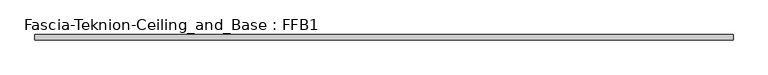
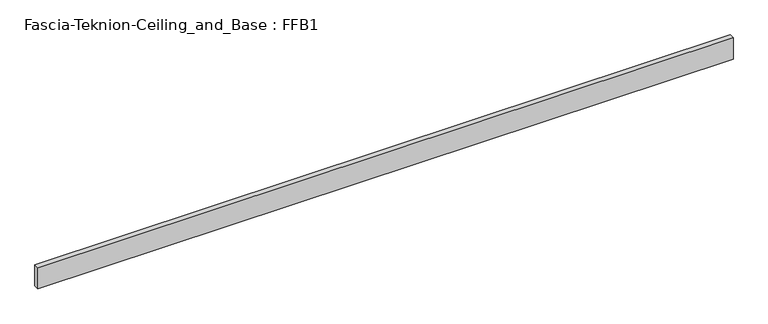
"""IFC4 building model written with IfcOpenShell, lengths in millimetres: proxy geometry, Fascia-Teknion-Ceiling_and_Base : FFB1."""

from ifc_helpers import new_model, si_unit, origin, origin_with_axes, place, context, project, spatial, polyline, outline, extrude, source, transform, mapped, element, save


def fascia_teknion_ceiling_and_base_ffb1_896a0c16(model_context):
    return source(origin(), model_context, "Body", "SweptSolid", [
        extrude(outline(polyline([(1259.8356344, 0.0), (-1259.8356344, 0.0), (-1259.8356344, 19.05), (1259.8356344, 19.05), (1259.8356344, 0.0)])), origin_with_axes(), (0.0, 0.0, 1.0), 81.28),
    ])


if __name__ == "__main__":
    model = new_model("IFC4")
    model_context = context("Model", 3, world=origin())
    ifc_project = project(units=[si_unit("LENGTHUNIT", "METRE", prefix="MILLI")], contexts=[model_context])
    site = spatial("IfcSite", under=ifc_project)
    building = spatial("IfcBuilding", under=site)
    placement = place(None, origin())
    fascia_teknion_ceiling_and_base_ffb1_shape = fascia_teknion_ceiling_and_base_ffb1_896a0c16(model_context)
    element("IfcBuildingElementProxy", 1, Name="Fascia-Teknion-Ceiling_and_Base : FFB1", ObjectType="Fascia-Teknion-Ceiling_and_Base : FFB1", at=placement, inside=building, context=model_context, shape_type="MappedRepresentation", body=[
        mapped(fascia_teknion_ceiling_and_base_ffb1_shape, transform((0.0, 0.0, 0.0), x_axis=(1.0, 0.0, 0.0), y_axis=(0.0, 1.0, 0.0), z_axis=(0.0, 0.0, 1.0))),
    ])
    save(model, "model.ifc")
